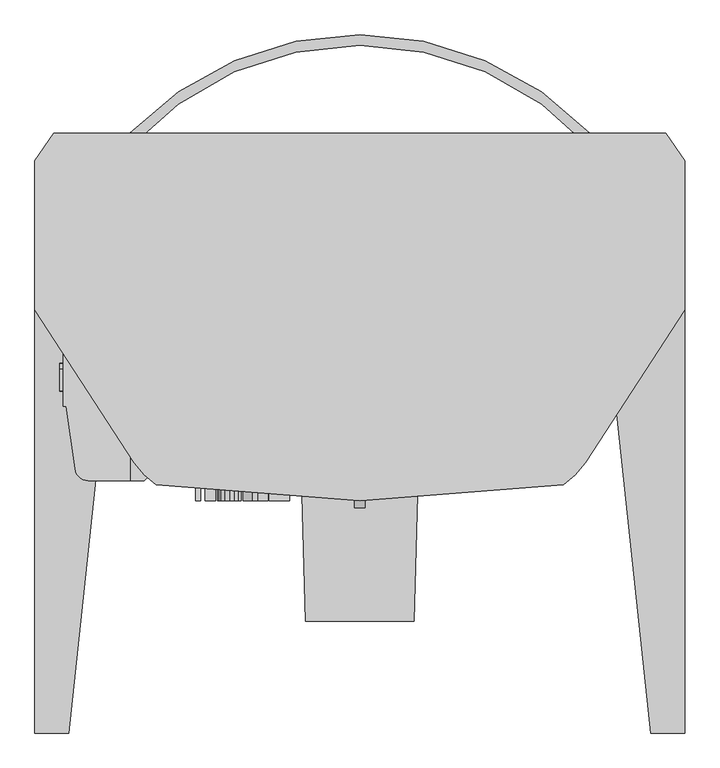
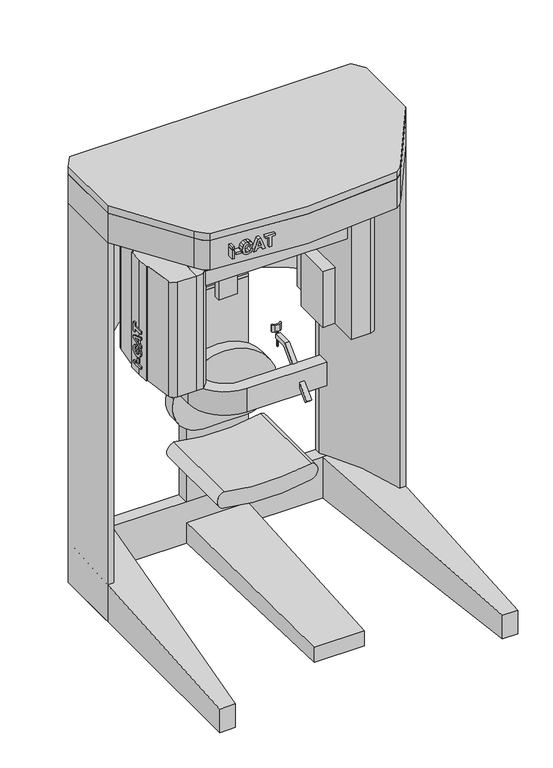
"""IFC4 building model written with IfcOpenShell, lengths in millimetres: proxy geometry."""

from ifc_helpers import new_model, si_unit, point, frame, frame_2d, origin, origin_with_axes, place, context, project, spatial, polyline, circle_curve, trimmed, segment, composite_curve, outline, extrude, faceted_brep, source, transform, mapped, element, save


def generic_models_0447c605(model_context):
    return source(origin(), model_context, "Body", "SolidModel", [
        extrude(outline(composite_curve([segment(trimmed(circle_curve(frame_2d((0.0, -16.0619265)), 3.175), [point((0.0, -19.2369265))], [point((0.0, -12.8869265))], False, "CARTESIAN"), True, "CONTINUOUS"), segment(trimmed(circle_curve(frame_2d((0.0, -16.0619265)), 3.175), [point((0.0, -12.8869265))], [point((0.0, -19.2369265))], False, "CARTESIAN"), True, "CONTINUOUS")], self_intersect=False)), frame((0.0, 0.0, 1066.8), z_axis=(0.0, 0.0, 1.0), x_axis=(1.0, 0.0, 0.0)), (0.0, 0.0, 1.0), 63.5),
        extrude(outline(polyline([(-15.875, -6.5369265), (-9.525, -12.8869265), (9.525, -12.8869265), (15.875, -6.5369265), (19.05, -6.5369265), (19.05, -10.5626652), (10.3757387, -19.2369265), (-10.3757387, -19.2369265), (-19.05, -10.5626652), (-19.05, -6.5369265), (-15.875, -6.5369265)])), frame((0.0, 0.0, 1130.3), z_axis=(0.0, 0.0, 1.0), x_axis=(1.0, 0.0, 0.0)), (0.0, 0.0, 1.0), 29.965371),
        extrude(outline(polyline([(-227.9617928, 953.1382072), (-241.432177, 966.6085913), (-84.2776949, 1123.7630735), (-19.2369265, 1123.7630735), (-19.2369265, 1104.7130735), (-76.3869265, 1104.7130735), (-165.1, 1016.0), (-227.9617928, 953.1382072)])), frame((-9.525, 0.0, 0.0), z_axis=(1.0, 0.0, 0.0), x_axis=(0.0, 1.0, 0.0)), (0.0, 0.0, 1.0), 19.05),
        extrude(outline(polyline([(-63.5, 307.975), (-76.2, 307.975), (-76.2, 324.0779547), (-41.5029547, 358.775), (41.5029547, 358.775), (76.2, 324.0779547), (76.2, 307.975), (63.5, 307.975), (38.1, 333.375), (-38.1, 333.375), (-63.5, 307.975)])), frame((0.0, 0.0, 1219.2), z_axis=(0.0, 0.0, 1.0), x_axis=(1.0, 0.0, 0.0)), (0.0, 0.0, 1.0), 152.4),
        extrude(outline(polyline([(38.1, 358.775), (38.1, 333.375), (-38.1, 333.375), (-38.1, 358.775), (38.1, 358.775)])), frame((0.0, 0.0, 1066.8), z_axis=(0.0, 0.0, 1.0), x_axis=(1.0, 0.0, 0.0)), (0.0, 0.0, 1.0), 152.4),
        extrude(outline(polyline([(201.2301178, -76.2), (150.4301178, -76.2), (150.4301178, 76.2), (201.2301178, 76.2), (201.2301178, -76.2)])), frame((0.0, 0.0, 1130.3), z_axis=(0.0, 0.0, 1.0), x_axis=(1.0, 0.0, 0.0)), (0.0, 0.0, 1.0), 241.3),
        extrude(outline(polyline([(-563.1801178, 19.5288148), (-563.1801178, 28.398656), (-556.8301178, 28.398656), (-556.8301178, 19.5288148), (-563.1801178, 19.5288148)])), frame((0.0, 0.0, 1165.1034662), z_axis=(0.0, 0.0, 1.0), x_axis=(1.0, 0.0, 0.0)), (0.0, 0.0, 1.0), 9.6761905),
        extrude(outline(polyline([(-563.1801178, -22.401344), (-563.1801178, 14.6907195), (-556.8301178, 14.6907195), (-556.8301178, -22.401344), (-563.1801178, -22.401344)])), frame((0.0, 0.0, 1165.1034662), z_axis=(0.0, 0.0, 1.0), x_axis=(1.0, 0.0, 0.0)), (0.0, 0.0, 1.0), 9.6761905),
        extrude(outline(polyline([(-563.1801178, -8.6934075), (-563.1801178, 0.1764338), (-556.8301178, 0.1764338), (-556.8301178, -8.6934075), (-563.1801178, -8.6934075)])), frame((0.0, 0.0, 1182.8431488), z_axis=(0.0, 0.0, 1.0), x_axis=(1.0, 0.0, 0.0)), (0.0, 0.0, 1.0), 19.352381),
        extrude(outline(polyline([(-3.048963, 1240.9002916), (-11.0053618, 1236.4464722), (-13.5315027, 1229.0444384), (-9.5753519, 1219.5509365), (3.7042116, 1215.9034662), (16.4105112, 1219.6643293), (20.335164, 1229.4602123), (18.1744001, 1236.8874444), (12.2716719, 1240.9002916), (13.8843703, 1250.5764821), (23.5227632, 1245.3478115), (27.7844447, 1238.6198353), (29.2050052, 1230.1279702), (27.4820638, 1220.431306), (22.3132394, 1212.8103611), (14.0292612, 1207.8730471), (2.9608584, 1206.2272757), (-7.5720781, 1207.858873), (-15.6103717, 1212.7536646), (-20.7036009, 1220.1840466), (-22.401344, 1229.4224146), (-18.4262944, 1242.9539623), (-6.2743598, 1250.5764821), (-3.048963, 1240.9002916)])), frame((-563.1801178, 0.0, 0.0), z_axis=(1.0, 0.0, 0.0), x_axis=(0.0, 1.0, 0.0)), (0.0, 0.0, 1.0), 6.35),
        extrude(outline(polyline([(-22.401344, 1301.3764821), (28.398656, 1282.6540615), (28.398656, 1272.3479107), (-22.401344, 1253.8018789), (-22.401344, 1264.1080297), (-11.1124551, 1268.0389821), (-11.1124551, 1287.2275734), (-22.401344, 1291.2089226), (-22.401344, 1301.3764821)]), holes=[polyline([(-2.2426138, 1284.1281686), (-2.2426138, 1271.1383869), (16.3034179, 1277.5891805), (-2.2426138, 1284.1281686)])]), frame((-563.1801178, 0.0, 0.0), z_axis=(1.0, 0.0, 0.0), x_axis=(0.0, 1.0, 0.0)), (0.0, 0.0, 1.0), 6.35),
        extrude(outline(polyline([(-22.401344, 1317.5034662), (-22.401344, 1327.1796567), (19.5288148, 1327.1796567), (19.5288148, 1341.6939424), (28.398656, 1341.6939424), (28.398656, 1302.9891805), (19.5288148, 1302.9891805), (19.5288148, 1317.5034662), (-22.401344, 1317.5034662)])), frame((-563.1801178, 0.0, 0.0), z_axis=(1.0, 0.0, 0.0), x_axis=(0.0, 1.0, 0.0)), (0.0, 0.0, 1.0), 6.35),
        extrude(outline(polyline([(-298.3375214, -228.6), (-308.0137119, -228.6), (-308.0137119, -165.1), (-298.3375214, -165.1), (-298.3375214, -228.6)])), frame((0.0, 0.0, 1719.6212606), z_axis=(0.0, 0.0, 1.0), x_axis=(1.0, 0.0, 0.0)), (0.0, 0.0, 1.0), 8.8698413),
        extrude(outline(polyline([(-298.3375214, -228.6), (-308.0137119, -228.6), (-308.0137119, -165.1), (-298.3375214, -165.1), (-298.3375214, -228.6)])), frame((0.0, 0.0, 1677.6911019), z_axis=(0.0, 0.0, 1.0), x_axis=(1.0, 0.0, 0.0)), (0.0, 0.0, 1.0), 37.0920635),
        extrude(outline(polyline([(-270.9216484, -228.6), (-290.2740293, -228.6), (-290.2740293, -165.1), (-270.9216484, -165.1), (-270.9216484, -228.6)])), frame((0.0, 0.0, 1691.3990384), z_axis=(0.0, 0.0, 1.0), x_axis=(1.0, 0.0, 0.0)), (0.0, 0.0, 1.0), 8.8698413),
        extrude(outline(polyline([(1697.0434828, -232.2168865), (1689.087084, -236.6707059), (1686.5609432, -244.0727396), (1690.517094, -253.5662416), (1703.7966574, -257.2137119), (1716.5029571, -253.4528488), (1720.4276098, -243.6569658), (1718.2668459, -236.2297337), (1712.3641178, -232.2168865), (1713.9768162, -222.540696), (1723.615209, -227.7693666), (1727.8768906, -234.4973428), (1729.2974511, -242.9892079), (1727.5745096, -252.6858721), (1722.4056852, -260.306817), (1714.1217071, -265.244131), (1703.0533043, -266.8899023), (1692.5203678, -265.2583051), (1684.4820741, -260.3635134), (1679.3888449, -252.9331315), (1677.6911019, -243.6947634), (1681.6661515, -230.1632158), (1693.818086, -222.540696), (1697.0434828, -232.2168865)])), frame((0.0, -228.6, 0.0), z_axis=(0.0, 1.0, 0.0), x_axis=(0.0, 0.0, 1.0)), (0.0, 0.0, 1.0), 63.5),
        extrude(outline(polyline([(1677.6911019, -171.740696), (1728.4911019, -190.4631166), (1728.4911019, -200.7692674), (1677.6911019, -219.3152992), (1677.6911019, -209.0091484), (1688.9799908, -205.078196), (1688.9799908, -185.8896047), (1677.6911019, -181.9082555), (1677.6911019, -171.740696)]), holes=[polyline([(1697.8498321, -188.9890095), (1697.8498321, -201.9787912), (1716.3958638, -195.5279976), (1697.8498321, -188.9890095)])]), frame((0.0, -228.6, 0.0), z_axis=(0.0, 1.0, 0.0), x_axis=(0.0, 0.0, 1.0)), (0.0, 0.0, 1.0), 63.5),
        extrude(outline(polyline([(1677.6911019, -155.6137119), (1677.6911019, -145.9375214), (1719.6212606, -145.9375214), (1719.6212606, -131.4232357), (1728.4911019, -131.4232357), (1728.4911019, -170.1279976), (1719.6212606, -170.1279976), (1719.6212606, -155.6137119), (1677.6911019, -155.6137119)])), frame((0.0, -228.6, 0.0), z_axis=(0.0, 1.0, 0.0), x_axis=(0.0, 0.0, 1.0)), (0.0, 0.0, 1.0), 63.5),
        extrude(outline(composite_curve([segment(trimmed(circle_curve(frame_2d((-226.6301178, 307.975)), 101.6), [point((-226.6301178, 409.575))], [point((-328.2301178, 307.975))], True, "CARTESIAN"), True, "CONTINUOUS"), segment(polyline([(-328.2301178, 307.975), (-328.2301178, -38.1)]), True, "CONTINUOUS"), segment(trimmed(circle_curve(frame_2d((-226.6301178, -38.1)), 101.6), [point((-328.2301178, -38.1))], [point((-226.6301178, -139.7))], True, "CARTESIAN"), True, "CONTINUOUS"), segment(polyline([(-226.6301178, -139.7), (101.6, -139.7), (101.6, -190.5), (-226.6301178, -190.5)]), True, "CONTINUOUS"), segment(trimmed(circle_curve(frame_2d((-226.6301178, -38.1)), 152.4), [point((-226.6301178, -190.5))], [point((-379.0301178, -38.1))], False, "CARTESIAN"), True, "CONTINUOUS"), segment(polyline([(-379.0301178, -38.1), (-379.0301178, 307.975)]), True, "CONTINUOUS"), segment(trimmed(circle_curve(frame_2d((-226.6301178, 307.975)), 152.4), [point((-379.0301178, 307.975))], [point((-226.6301178, 460.375))], False, "CARTESIAN"), True, "CONTINUOUS"), segment(polyline([(-226.6301178, 460.375), (-127.0, 460.375), (-127.0, 409.575), (-226.6301178, 409.575)]), True, "CONTINUOUS")], self_intersect=False)), frame((0.0, 0.0, 965.2), z_axis=(0.0, 0.0, 1.0), x_axis=(1.0, 0.0, 0.0)), (0.0, 0.0, 1.0), 101.6),
        extrude(outline(composite_curve([segment(trimmed(circle_curve(frame_2d((1274.540904, 0.0)), 839.2583333), [point((454.3325706, 177.8))], [point((454.3325706, -177.8))], True, "CARTESIAN"), True, "CONTINUOUS"), segment(trimmed(circle_curve(frame_2d((419.4075706, -170.2291613)), 35.7361613), [point((454.3325706, -177.8))], [point((384.4825706, -177.8))], False, "CARTESIAN"), True, "CONTINUOUS"), segment(trimmed(circle_curve(frame_2d((1204.690904, 0.0)), 839.2583333), [point((384.4825706, -177.8))], [point((384.4825706, 177.8))], False, "CARTESIAN"), True, "CONTINUOUS"), segment(trimmed(circle_curve(frame_2d((419.4075706, 170.2291613)), 35.7361613), [point((384.4825706, 177.8))], [point((454.3325706, 177.8))], False, "CARTESIAN"), True, "CONTINUOUS")], self_intersect=False)), frame((0.0, 53.975, 0.0), z_axis=(0.0, 1.0, 0.0), x_axis=(0.0, 0.0, 1.0)), (0.0, 0.0, 1.0), 355.6),
        extrude(outline(composite_curve([segment(trimmed(circle_curve(frame_2d((592.5368958, 0.0)), 223.7456748), [point((678.9746559, 206.375))], [point((678.9746559, -206.375))], False, "CARTESIAN"), True, "CONTINUOUS"), segment(trimmed(circle_curve(frame_2d((642.3273149, -79.7237835)), 131.8467226), [point((678.9746559, -206.375))], [point((511.4825706, -63.5))], False, "CARTESIAN"), True, "CONTINUOUS"), segment(polyline([(511.4825706, -63.5), (511.4825706, 0.0), (511.4825706, 63.5)]), True, "CONTINUOUS"), segment(trimmed(circle_curve(frame_2d((642.3273149, 79.7237835)), 131.8467226), [point((511.4825706, 63.5))], [point((678.9746559, 206.375))], False, "CARTESIAN"), True, "CONTINUOUS")], self_intersect=False)), frame((0.0, 358.775, 0.0), z_axis=(0.0, 1.0, 0.0), x_axis=(0.0, 0.0, 1.0)), (0.0, 0.0, 1.0), 50.8),
        extrude(outline(polyline([(125.5888889, 460.375), (125.5888889, 409.575), (-127.0, 409.575), (-127.0, 460.375), (125.5888889, 460.375)])), frame((0.0, 0.0, 1066.8), z_axis=(0.0, 0.0, 1.0), x_axis=(1.0, 0.0, 0.0)), (0.0, 0.0, 1.0), 12.7),
        extrude(outline(polyline([(-88.9, 460.375), (-88.9, 447.675), (-114.3, 447.675), (-114.3, 422.275), (114.3, 422.275), (114.3, 447.675), (88.9, 447.675), (88.9, 460.375), (125.5888889, 460.375), (125.5888889, 409.575), (-127.0, 409.575), (-127.0, 460.375), (-88.9, 460.375)])), frame((0.0, 0.0, 177.8), z_axis=(0.0, 0.0, 1.0), x_axis=(1.0, 0.0, 0.0)), (0.0, 0.0, 1.0), 889.0),
        faceted_brep([(127.0, 460.375, 0.0), (-127.0, 460.375, 0.0), (-127.0, 460.375, 88.9), (127.0, 460.375, 88.9), (101.6, -454.025, 0.0), (101.6, -454.025, 63.5), (-101.6, -454.025, 63.5), (-101.6, -454.025, 0.0)], [[[0, 1, 2, 3]], [[4, 5, 6, 7]], [[4, 7, 1, 0]], [[7, 6, 2, 1]], [[6, 5, 3, 2]], [[5, 4, 0, 3]]]),
        extrude(outline(polyline([(201.2301178, 165.1), (201.2301178, -165.1), (-379.0301178, -165.1), (-379.0301178, -88.9), (-429.8301178, -88.9), (-429.8301178, 88.9), (-379.0301178, 88.9), (-379.0301178, 165.1), (201.2301178, 165.1)])), frame((0.0, 0.0, 1549.4), z_axis=(0.0, 0.0, 1.0), x_axis=(1.0, 0.0, 0.0)), (0.0, 0.0, 1.0), 63.5),
        extrude(outline(polyline([(-404.4301178, 190.5), (-379.0301178, 165.1), (-379.0301178, 88.9), (-429.8301178, 88.9), (-429.8301178, 190.5), (-404.4301178, 190.5)])), frame((0.0, 0.0, 1130.3), z_axis=(0.0, 0.0, 1.0), x_axis=(1.0, 0.0, 0.0)), (0.0, 0.0, 1.0), 495.3),
        extrude(outline(polyline([(-404.4301178, -190.5), (-429.8301178, -190.5), (-429.8301178, -88.9), (-379.0301178, -88.9), (-379.0301178, -165.1), (-404.4301178, -190.5)])), frame((0.0, 0.0, 1130.3), z_axis=(0.0, 0.0, 1.0), x_axis=(1.0, 0.0, 0.0)), (0.0, 0.0, 1.0), 495.3),
        extrude(outline(composite_curve([segment(polyline([(201.2301178, -190.5), (201.2301178, 190.5), (280.6586849, 190.5)]), True, "CONTINUOUS"), segment(trimmed(circle_curve(frame_2d((280.6586849, 165.1)), 25.4), [point((280.6586849, 190.5))], [point((305.8257712, 168.5318754))], False, "CARTESIAN"), True, "CONTINUOUS"), segment(polyline([(305.8257712, 168.5318754), (321.8801178, 50.8), (328.2301178, 50.8), (328.2301178, 0.0), (328.2301178, -50.8), (321.8801178, -50.8), (305.8257712, -168.5318754)]), True, "CONTINUOUS"), segment(trimmed(circle_curve(frame_2d((280.6586849, -165.1)), 25.4), [point((305.8257712, -168.5318754))], [point((280.6586849, -190.5))], False, "CARTESIAN"), True, "CONTINUOUS"), segment(polyline([(280.6586849, -190.5), (201.2301178, -190.5)]), True, "CONTINUOUS")], self_intersect=False)), frame((0.0, 0.0, 1130.3), z_axis=(0.0, 0.0, 1.0), x_axis=(1.0, 0.0, 0.0)), (0.0, 0.0, 1.0), 495.3),
        extrude(outline(composite_curve([segment(polyline([(-429.8301178, -190.5), (-509.2586849, -190.5)]), True, "CONTINUOUS"), segment(trimmed(circle_curve(frame_2d((-509.2586849, -165.1)), 25.4), [point((-509.2586849, -190.5))], [point((-534.4257712, -168.5318754))], False, "CARTESIAN"), True, "CONTINUOUS"), segment(polyline([(-534.4257712, -168.5318754), (-550.4801178, -50.8), (-556.8301178, -50.8), (-556.8301178, 0.0), (-556.8301178, 50.8), (-550.4801178, 50.8), (-534.4257712, 168.5318754)]), True, "CONTINUOUS"), segment(trimmed(circle_curve(frame_2d((-509.2586849, 165.1)), 25.4), [point((-534.4257712, 168.5318754))], [point((-509.2586849, 190.5))], False, "CARTESIAN"), True, "CONTINUOUS"), segment(polyline([(-509.2586849, 190.5), (-429.8301178, 190.5), (-429.8301178, -190.5)]), True, "CONTINUOUS")], self_intersect=False)), frame((0.0, 0.0, 1130.3), z_axis=(0.0, 0.0, 1.0), x_axis=(1.0, 0.0, 0.0)), (0.0, 0.0, 1.0), 495.3),
        extrude(outline(composite_curve([segment(polyline([(-609.6, 409.575), (-574.0294571, 460.375), (574.0294571, 460.375), (609.6, 409.575), (609.6, 130.175), (422.9095543, -157.3030764)]), True, "CONTINUOUS"), segment(trimmed(circle_curve(frame_2d((306.11904, -81.4584296)), 139.2567222), [point((422.9095543, -157.3030764))], [point((381.9636868, -198.2489439))], False, "CARTESIAN"), True, "CONTINUOUS"), segment(trimmed(circle_curve(frame_2d((0.0, 2197.189269)), 2425.7), [point((381.9636868, -198.2489439))], [point((-381.9636868, -198.2489439))], False, "CARTESIAN"), True, "CONTINUOUS"), segment(trimmed(circle_curve(frame_2d((-306.11904, -81.4584296)), 139.2567222), [point((-381.9636868, -198.2489439))], [point((-422.9095543, -157.3030764))], False, "CARTESIAN"), True, "CONTINUOUS"), segment(polyline([(-422.9095543, -157.3030764), (-609.6, 130.175), (-609.6, 409.575)]), True, "CONTINUOUS")], self_intersect=False)), frame((0.0, 0.0, 1638.3), z_axis=(0.0, 0.0, 1.0), x_axis=(1.0, 0.0, 0.0)), (0.0, 0.0, 1.0), 127.0),
        extrude(outline(composite_curve([segment(polyline([(-609.6, 409.575), (-574.0294571, 460.375), (574.0294571, 460.375), (609.6, 409.575), (609.6, 130.175), (422.9095543, -157.3030764)]), True, "CONTINUOUS"), segment(trimmed(circle_curve(frame_2d((306.11904, -81.4584296)), 139.2567222), [point((422.9095543, -157.3030764))], [point((381.9636868, -198.2489439))], False, "CARTESIAN"), True, "CONTINUOUS"), segment(trimmed(circle_curve(frame_2d((0.0, 2197.189269)), 2425.7), [point((381.9636868, -198.2489439))], [point((-381.9636868, -198.2489439))], False, "CARTESIAN"), True, "CONTINUOUS"), segment(trimmed(circle_curve(frame_2d((-306.11904, -81.4584296)), 139.2567222), [point((-381.9636868, -198.2489439))], [point((-422.9095543, -157.3030764))], False, "CARTESIAN"), True, "CONTINUOUS"), segment(polyline([(-422.9095543, -157.3030764), (-609.6, 130.175), (-609.6, 409.575)]), True, "CONTINUOUS")], self_intersect=False)), frame((0.0, 0.0, 1765.3), z_axis=(0.0, 0.0, 1.0), x_axis=(1.0, 0.0, 0.0)), (0.0, 0.0, 1.0), 31.75),
        extrude(outline(composite_curve([segment(polyline([(-431.8, 434.975), (-431.8, 460.375)]), True, "CONTINUOUS"), segment(trimmed(circle_curve(frame_2d((0.0, 48.2604892)), 596.9), [point((-431.8, 460.375))], [point((431.8, 460.375))], False, "CARTESIAN"), True, "CONTINUOUS"), segment(polyline([(431.8, 460.375), (431.8, 434.975)]), True, "CONTINUOUS"), segment(trimmed(circle_curve(frame_2d((0.0, 41.479892)), 584.2), [point((431.8, 434.975))], [point((-431.8, 434.975))], True, "CARTESIAN"), True, "CONTINUOUS")], self_intersect=False)), frame((0.0, 0.0, 965.2), z_axis=(0.0, 0.0, 1.0), x_axis=(1.0, 0.0, 0.0)), (0.0, 0.0, 1.0), 673.1),
        extrude(outline(composite_curve([segment(polyline([(609.6, 409.575), (609.6, 130.175), (584.2, 130.175)]), True, "CONTINUOUS"), segment(trimmed(circle_curve(frame_2d((-295.5397489, -119.1948744)), 914.4), [point((584.2, 130.175))], [point((431.8, 434.975))], True, "CARTESIAN"), True, "CONTINUOUS"), segment(polyline([(431.8, 434.975), (431.8, 460.375), (574.0294571, 460.375), (609.6, 409.575)]), True, "CONTINUOUS")], self_intersect=False)), origin_with_axes(), (0.0, 0.0, 1.0), 1638.3),
        faceted_brep([(431.8, 409.575, 0.0), (431.8, 409.575, 177.8), (609.6, 409.575, 177.8), (609.6, 409.575, 0.0), (546.1, -663.575, 0.0), (609.6, -663.575, 0.0), (609.6, -663.575, 101.6), (546.1, -663.575, 101.6)], [[[0, 1, 2, 3]], [[4, 5, 6, 7]], [[5, 4, 0, 3]], [[6, 5, 3, 2]], [[7, 6, 2, 1]], [[4, 7, 1, 0]]]),
        extrude(outline(composite_curve([segment(polyline([(431.8, 460.375), (431.8, 434.975)]), True, "CONTINUOUS"), segment(trimmed(circle_curve(frame_2d((-295.5397489, -119.1948744)), 914.4), [point((431.8, 434.975))], [point((450.4694869, 409.575))], False, "CARTESIAN"), True, "CONTINUOUS"), segment(polyline([(450.4694869, 409.575), (-450.4694869, 409.575)]), True, "CONTINUOUS"), segment(trimmed(circle_curve(frame_2d((295.5397489, -119.1948744)), 914.4), [point((-450.4694869, 409.575))], [point((-431.8, 434.975))], False, "CARTESIAN"), True, "CONTINUOUS"), segment(polyline([(-431.8, 434.975), (-431.8, 460.375), (431.8, 460.375)]), True, "CONTINUOUS")], self_intersect=False)), origin_with_axes(), (0.0, 0.0, 1.0), 177.8),
        extrude(outline(composite_curve([segment(polyline([(-609.6, 409.575), (-574.0294571, 460.375), (-431.8, 460.375), (-431.8, 434.975)]), True, "CONTINUOUS"), segment(trimmed(circle_curve(frame_2d((295.5397489, -119.1948744)), 914.4), [point((-431.8, 434.975))], [point((-584.2, 130.175))], True, "CARTESIAN"), True, "CONTINUOUS"), segment(polyline([(-584.2, 130.175), (-609.6, 130.175), (-609.6, 409.575)]), True, "CONTINUOUS")], self_intersect=False)), origin_with_axes(), (0.0, 0.0, 1.0), 1638.3),
        faceted_brep([(-431.8, 409.575, 0.0), (-609.6, 409.575, 0.0), (-609.6, 409.575, 177.8), (-431.8, 409.575, 177.8), (-546.1, -663.575, 0.0), (-546.1, -663.575, 101.6), (-609.6, -663.575, 101.6), (-609.6, -663.575, 0.0)], [[[0, 1, 2, 3]], [[4, 5, 6, 7]], [[4, 7, 1, 0]], [[7, 6, 2, 1]], [[6, 5, 3, 2]], [[5, 4, 0, 3]]]),
    ])


if __name__ == "__main__":
    model = new_model("IFC4")
    model_context = context("Model", 3, world=origin())
    ifc_project = project(units=[si_unit("LENGTHUNIT", "METRE", prefix="MILLI")], contexts=[model_context])
    site = spatial("IfcSite", under=ifc_project)
    building = spatial("IfcBuilding", under=site)
    placement = place(None, origin())
    generic_models_shape = generic_models_0447c605(model_context)
    element("IfcBuildingElementProxy", 1, Name="Generic Models", at=placement, inside=building, context=model_context, shape_type="MappedRepresentation", body=[
        mapped(generic_models_shape, transform((0.0, 0.0, 0.0), x_axis=(1.0, 0.0, 0.0), y_axis=(0.0, 1.0, 0.0), z_axis=(0.0, 0.0, 1.0))),
    ])
    save(model, "model.ifc")
